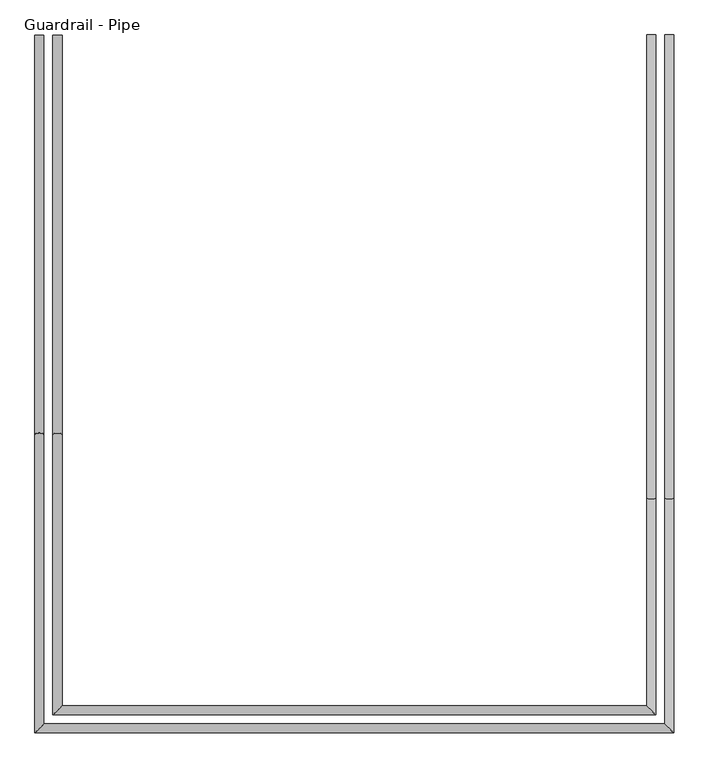
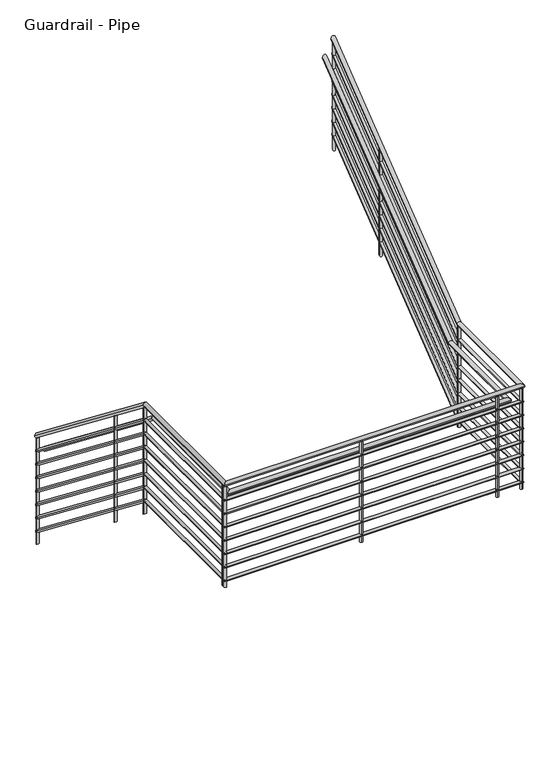
"""IFC4 building model written with IfcOpenShell, lengths in millimetres: railing geometry, Guardrail - Pipe."""

from ifc_helpers import new_model, si_unit, point, frame, frame_2d, origin, place, context, project, spatial, circle_curve, ellipse_curve, trimmed, segment, composite_curve, outline, extrude, source, transform, mapped, element, save
from ifc_brep_helpers import plane_surface, cylinder_surface, advanced_brep


def guardrail_pipe_3a40b477(model_context):
    return source(origin(), model_context, "Body", "SolidModel", [
        advanced_brep(
        [(1369.318901, 247.1226057, 1260.3636861), (1331.218901, 247.1226057, 1260.3636861), (1369.318901, -1435.8231638, 2571.75), (1331.218901, -1435.8231638, 2571.75), (1369.318901, -2654.8273943, 2571.75), (1331.218901, -2692.9273943, 2571.75), (3986.0081332, -2654.8273943, 2571.75), (4024.1081332, -2692.9273943, 2571.75), (3986.0081332, -1702.1316247, 2571.75), (4024.1081332, -1702.1316247, 2571.75), (3986.0081332, 247.1226057, 4090.6494004), (4024.1081332, 247.1226057, 4090.6494004)],
        [
            (0, 1, ellipse_curve(frame((1350.268901, 247.1226057, 1260.3636861), z_axis=(0.0, 1.0, 0.0), x_axis=(0.0, 0.0, -1.0)), 24.1505996, 19.05)),
            (1, 0, ellipse_curve(frame((1350.268901, 247.1226057, 1260.3636861), z_axis=(0.0, 1.0, 0.0), x_axis=(0.0, 0.0, -1.0)), 24.1505996, 19.05)),
            (0, 2),
            (2, 3, ellipse_curve(frame((1350.268901, -1435.8231638, 2571.75), z_axis=(0.0, 0.9457273101107315, -0.3249613129446646), x_axis=(0.0, -0.32496131294466507, -0.9457273101107314)), 20.1432271, 19.05)),
            (3, 1),
            (3, 2, ellipse_curve(frame((1350.268901, -1435.8231638, 2571.75), z_axis=(0.0, 0.9457273101107315, -0.3249613129446646), x_axis=(0.0, -0.32496131294466507, -0.9457273101107314)), 20.1432271, 19.05)),
            (2, 4),
            (4, 5, ellipse_curve(frame((1350.268901, -2673.8773943, 2571.75), z_axis=(-0.7071067811865469, 0.7071067811865481, 0.0), x_axis=(0.7071067811865481, 0.7071067811865469, 0.0)), 26.9407684, 19.05)),
            (5, 3),
            (5, 4, ellipse_curve(frame((1350.268901, -2673.8773943, 2571.75), z_axis=(-0.7071067811865469, 0.7071067811865481, 0.0), x_axis=(0.7071067811865481, 0.7071067811865469, 0.0)), 26.9407684, 19.05)),
            (4, 6),
            (6, 7, ellipse_curve(frame((4005.0581332, -2673.8773943, 2571.75), z_axis=(-0.7071067811865475, -0.7071067811865475, 0.0), x_axis=(-0.7071067811865476, 0.7071067811865474, 0.0)), 26.9407684, 19.05)),
            (7, 5),
            (7, 6, ellipse_curve(frame((4005.0581332, -2673.8773943, 2571.75), z_axis=(-0.7071067811865475, -0.7071067811865475, 0.0), x_axis=(-0.7071067811865476, 0.7071067811865474, 0.0)), 26.9407684, 19.05)),
            (6, 8),
            (8, 9, ellipse_curve(frame((4005.0581332, -1702.1316247, 2571.75), z_axis=(0.0, -0.9457273101107316, -0.3249613129446643), x_axis=(0.0, -0.32496131294466424, 0.9457273101107315)), 20.1432271, 19.05)),
            (9, 7),
            (9, 8, ellipse_curve(frame((4005.0581332, -1702.1316247, 2571.75), z_axis=(0.0, -0.9457273101107316, -0.3249613129446643), x_axis=(0.0, -0.32496131294466424, 0.9457273101107315)), 20.1432271, 19.05)),
            (10, 11, ellipse_curve(frame((4005.0581332, 247.1226057, 4090.6494004), z_axis=(0.0, 1.0, 0.0), x_axis=(0.0, 0.0, -1.0)), 24.1505996, 19.05)),
            (11, 10, ellipse_curve(frame((4005.0581332, 247.1226057, 4090.6494004), z_axis=(0.0, 1.0, 0.0), x_axis=(0.0, 0.0, -1.0)), 24.1505996, 19.05)),
            (8, 10),
            (11, 9),
        ],
        [
            plane_surface(frame((1350.268901, 247.1226057, 1284.5142857), z_axis=(0.0, 1.0, 0.0), x_axis=(0.0, 0.0, -1.0))),
            cylinder_surface(frame((1350.268901, 235.4135313, 1269.4876402), z_axis=(0.0, 0.7888002901785597, -0.6146495767624185), x_axis=(-1.0, 0.0, 0.0)), 19.05),
            cylinder_surface(frame((1350.268901, -1429.2773943, 2571.75), z_axis=(0.0, 1.0, 0.0), x_axis=(-1.0, 0.0, 0.0)), 19.05),
            cylinder_surface(frame((1350.268901, -2673.8773943, 2571.75), z_axis=(-1.0, 0.0, 0.0), x_axis=(0.0, -1.0, 0.0)), 19.05),
            cylinder_surface(frame((4005.0581332, -2673.8773943, 2571.75), z_axis=(0.0, -1.0, 0.0), x_axis=(1.0, 0.0, 0.0)), 19.05),
            plane_surface(frame((4005.0581332, 247.1226057, 4114.8), z_axis=(0.0, 1.0, 0.0), x_axis=(0.0, 0.0, 1.0))),
            cylinder_surface(frame((4005.0581332, -1696.9683198, 2575.7733545), z_axis=(0.0, -0.7888002901785599, -0.614649576762418), x_axis=(1.0, 0.0, 0.0)), 19.05),
        ],
        [
            (0, [[1, 2]]),
            (1, [[-1, 3, 4, 5]]),
            (1, [[-2, -5, 6, -3]]),
            (2, [[-4, 7, 8, 9]]),
            (2, [[-6, -9, 10, -7]]),
            (3, [[-8, 11, 12, 13]]),
            (3, [[-10, -13, 14, -11]]),
            (4, [[-12, 15, 16, 17]]),
            (4, [[-14, -17, 18, -15]]),
            (5, [[19, 20]]),
            (6, [[-16, 21, -20, 22]]),
            (6, [[-18, -22, -19, -21]]),
        ],
    ),
        advanced_brep(
        [(1362.968901, 247.1226057, 1116.013886), (1337.568901, 247.1226057, 1116.013886), (1362.968901, -1433.6412406, 2425.7), (1337.568901, -1433.6412406, 2425.7), (1362.968901, -2661.1773943, 2425.7), (1337.568901, -2686.5773943, 2425.7), (3992.3581332, -2661.1773943, 2425.7), (4017.7581332, -2686.5773943, 2425.7), (3992.3581332, -1704.3135479, 2425.7), (4017.7581332, -1704.3135479, 2425.7), (3992.3581332, 247.1226057, 3946.2996002), (4017.7581332, 247.1226057, 3946.2996002)],
        [
            (0, 1, ellipse_curve(frame((1350.268901, 247.1226057, 1116.013886), z_axis=(0.0, 1.0, 0.0), x_axis=(0.0, 0.0, -1.0)), 16.1003998, 12.7)),
            (1, 0, ellipse_curve(frame((1350.268901, 247.1226057, 1116.013886), z_axis=(0.0, 1.0, 0.0), x_axis=(0.0, 0.0, -1.0)), 16.1003998, 12.7)),
            (0, 2),
            (2, 3, ellipse_curve(frame((1350.268901, -1433.6412406, 2425.7), z_axis=(0.0, 0.9457273101107315, -0.32496131294466435), x_axis=(0.0, -0.324961312944664, -0.9457273101107317)), 13.4288181, 12.7)),
            (3, 1),
            (3, 2, ellipse_curve(frame((1350.268901, -1433.6412406, 2425.7), z_axis=(0.0, 0.9457273101107315, -0.32496131294466435), x_axis=(0.0, -0.324961312944664, -0.9457273101107317)), 13.4288181, 12.7)),
            (2, 4),
            (4, 5, ellipse_curve(frame((1350.268901, -2673.8773943, 2425.7), z_axis=(-0.7071067811865469, 0.7071067811865481, 0.0), x_axis=(0.7071067811865481, 0.7071067811865469, 0.0)), 17.9605122, 12.7)),
            (5, 3),
            (5, 4, ellipse_curve(frame((1350.268901, -2673.8773943, 2425.7), z_axis=(-0.7071067811865469, 0.7071067811865481, 0.0), x_axis=(0.7071067811865481, 0.7071067811865469, 0.0)), 17.9605122, 12.7)),
            (4, 6),
            (6, 7, ellipse_curve(frame((4005.0581332, -2673.8773943, 2425.7), z_axis=(-0.7071067811865475, -0.7071067811865475, 0.0), x_axis=(-0.7071067811865476, 0.7071067811865474, 0.0)), 17.9605122, 12.7)),
            (7, 5),
            (7, 6, ellipse_curve(frame((4005.0581332, -2673.8773943, 2425.7), z_axis=(-0.7071067811865475, -0.7071067811865475, 0.0), x_axis=(-0.7071067811865476, 0.7071067811865474, 0.0)), 17.9605122, 12.7)),
            (6, 8),
            (8, 9, ellipse_curve(frame((4005.0581332, -1704.3135479, 2425.7), z_axis=(0.0, -0.9457273101107316, -0.32496131294466424), x_axis=(0.0, -0.3249613129446642, 0.9457273101107316)), 13.4288181, 12.7)),
            (9, 7),
            (9, 8, ellipse_curve(frame((4005.0581332, -1704.3135479, 2425.7), z_axis=(0.0, -0.9457273101107316, -0.32496131294466424), x_axis=(0.0, -0.3249613129446642, 0.9457273101107316)), 13.4288181, 12.7)),
            (10, 11, ellipse_curve(frame((4005.0581332, 247.1226057, 3946.2996002), z_axis=(0.0, 1.0, 0.0), x_axis=(0.0, 0.0, -1.0)), 16.1003998, 12.7)),
            (11, 10, ellipse_curve(frame((4005.0581332, 247.1226057, 3946.2996002), z_axis=(0.0, 1.0, 0.0), x_axis=(0.0, 0.0, -1.0)), 16.1003998, 12.7)),
            (8, 10),
            (11, 9),
        ],
        [
            plane_surface(frame((1350.268901, 247.1226057, 1132.1142857), z_axis=(0.0, 1.0, 0.0), x_axis=(0.0, 0.0, -1.0))),
            cylinder_surface(frame((1350.268901, 239.3165561, 1122.096522), z_axis=(0.0, 0.7888002901785598, -0.6146495767624183), x_axis=(-1.0, 0.0, 0.0)), 12.7),
            cylinder_surface(frame((1350.268901, -1429.2773943, 2425.7), z_axis=(0.0, 1.0, 0.0), x_axis=(-1.0, 0.0, 0.0)), 12.7),
            cylinder_surface(frame((1350.268901, -2673.8773943, 2425.7), z_axis=(-1.0, 0.0, 0.0), x_axis=(0.0, -1.0, 0.0)), 12.7),
            cylinder_surface(frame((4005.0581332, -2673.8773943, 2425.7), z_axis=(0.0, -1.0, 0.0), x_axis=(1.0, 0.0, 0.0)), 12.7),
            plane_surface(frame((4005.0581332, 247.1226057, 3962.4), z_axis=(0.0, 1.0, 0.0), x_axis=(0.0, 0.0, 1.0))),
            cylinder_surface(frame((4005.0581332, -1700.8713446, 2428.3822363), z_axis=(0.0, -0.7888002901785599, -0.614649576762418), x_axis=(1.0, 0.0, 0.0)), 12.7),
        ],
        [
            (0, [[1, 2]]),
            (1, [[-1, 3, 4, 5]]),
            (1, [[-2, -5, 6, -3]]),
            (2, [[-4, 7, 8, 9]]),
            (2, [[-6, -9, 10, -7]]),
            (3, [[-8, 11, 12, 13]]),
            (3, [[-10, -13, 14, -11]]),
            (4, [[-12, 15, 16, 17]]),
            (4, [[-14, -17, 18, -15]]),
            (5, [[19, 20]]),
            (6, [[-16, 21, -20, 22]]),
            (6, [[-18, -22, -19, -21]]),
        ],
    ),
        advanced_brep(
        [(1445.518901, 247.1226057, 1107.9636861), (1407.418901, 247.1226057, 1107.9636861), (1445.518901, -1435.8231638, 2419.35), (1407.418901, -1435.8231638, 2419.35), (1445.518901, -2578.6273943, 2419.35), (1407.418901, -2616.7273943, 2419.35), (3909.8081332, -2578.6273943, 2419.35), (3947.9081332, -2616.7273943, 2419.35), (3909.8081332, -1702.1316247, 2419.35), (3947.9081332, -1702.1316247, 2419.35), (3909.8081332, 247.1226057, 3938.2494004), (3947.9081332, 247.1226057, 3938.2494004)],
        [
            (0, 1, ellipse_curve(frame((1426.468901, 247.1226057, 1107.9636861), z_axis=(0.0, 1.0, 0.0), x_axis=(0.0, 0.0, -1.0)), 24.1505996, 19.05)),
            (1, 0, ellipse_curve(frame((1426.468901, 247.1226057, 1107.9636861), z_axis=(0.0, 1.0, 0.0), x_axis=(0.0, 0.0, -1.0)), 24.1505996, 19.05)),
            (0, 2),
            (2, 3, ellipse_curve(frame((1426.468901, -1435.8231638, 2419.35), z_axis=(0.0, 0.9457273101107315, -0.32496131294466435), x_axis=(0.0, -0.324961312944664, -0.9457273101107317)), 20.1432271, 19.05)),
            (3, 1),
            (3, 2, ellipse_curve(frame((1426.468901, -1435.8231638, 2419.35), z_axis=(0.0, 0.9457273101107315, -0.32496131294466435), x_axis=(0.0, -0.324961312944664, -0.9457273101107317)), 20.1432271, 19.05)),
            (2, 4),
            (4, 5, ellipse_curve(frame((1426.468901, -2597.6773943, 2419.35), z_axis=(-0.7071067811865469, 0.7071067811865481, 0.0), x_axis=(0.7071067811865481, 0.7071067811865469, 0.0)), 26.9407684, 19.05)),
            (5, 3),
            (5, 4, ellipse_curve(frame((1426.468901, -2597.6773943, 2419.35), z_axis=(-0.7071067811865469, 0.7071067811865481, 0.0), x_axis=(0.7071067811865481, 0.7071067811865469, 0.0)), 26.9407684, 19.05)),
            (4, 6),
            (6, 7, ellipse_curve(frame((3928.8581332, -2597.6773943, 2419.35), z_axis=(-0.7071067811865475, -0.7071067811865475, 0.0), x_axis=(-0.7071067811865476, 0.7071067811865474, 0.0)), 26.9407684, 19.05)),
            (7, 5),
            (7, 6, ellipse_curve(frame((3928.8581332, -2597.6773943, 2419.35), z_axis=(-0.7071067811865475, -0.7071067811865475, 0.0), x_axis=(-0.7071067811865476, 0.7071067811865474, 0.0)), 26.9407684, 19.05)),
            (6, 8),
            (8, 9, ellipse_curve(frame((3928.8581332, -1702.1316247, 2419.35), z_axis=(0.0, -0.9457273101107316, -0.32496131294466424), x_axis=(0.0, -0.3249613129446642, 0.9457273101107316)), 20.1432271, 19.05)),
            (9, 7),
            (9, 8, ellipse_curve(frame((3928.8581332, -1702.1316247, 2419.35), z_axis=(0.0, -0.9457273101107316, -0.32496131294466424), x_axis=(0.0, -0.3249613129446642, 0.9457273101107316)), 20.1432271, 19.05)),
            (10, 11, ellipse_curve(frame((3928.8581332, 247.1226057, 3938.2494004), z_axis=(0.0, 1.0, 0.0), x_axis=(0.0, 0.0, -1.0)), 24.1505996, 19.05)),
            (11, 10, ellipse_curve(frame((3928.8581332, 247.1226057, 3938.2494004), z_axis=(0.0, 1.0, 0.0), x_axis=(0.0, 0.0, -1.0)), 24.1505996, 19.05)),
            (8, 10),
            (11, 9),
        ],
        [
            plane_surface(frame((1426.468901, 247.1226057, 1132.1142857), z_axis=(0.0, 1.0, 0.0), x_axis=(0.0, 0.0, -1.0))),
            cylinder_surface(frame((1426.468901, 235.4135313, 1117.0876402), z_axis=(0.0, 0.7888002901785598, -0.6146495767624183), x_axis=(-1.0, 0.0, 0.0)), 19.05),
            cylinder_surface(frame((1426.468901, -1429.2773943, 2419.35), z_axis=(0.0, 1.0, 0.0), x_axis=(-1.0, 0.0, 0.0)), 19.05),
            cylinder_surface(frame((1426.468901, -2597.6773943, 2419.35), z_axis=(-1.0, 0.0, 0.0), x_axis=(0.0, -1.0, 0.0)), 19.05),
            cylinder_surface(frame((3928.8581332, -2597.6773943, 2419.35), z_axis=(0.0, -1.0, 0.0), x_axis=(1.0, 0.0, 0.0)), 19.05),
            plane_surface(frame((3928.8581332, 247.1226057, 3962.4), z_axis=(0.0, 1.0, 0.0), x_axis=(0.0, 0.0, 1.0))),
            cylinder_surface(frame((3928.8581332, -1696.9683198, 2423.3733545), z_axis=(0.0, -0.7888002901785599, -0.614649576762418), x_axis=(1.0, 0.0, 0.0)), 19.05),
        ],
        [
            (0, [[1, 2]]),
            (1, [[-1, 3, 4, 5]]),
            (1, [[-2, -5, 6, -3]]),
            (2, [[-4, 7, 8, 9]]),
            (2, [[-6, -9, 10, -7]]),
            (3, [[-8, 11, 12, 13]]),
            (3, [[-10, -13, 14, -11]]),
            (4, [[-12, 15, 16, 17]]),
            (4, [[-14, -17, 18, -15]]),
            (5, [[19, 20]]),
            (6, [[-16, 21, -20, 22]]),
            (6, [[-18, -22, -19, -21]]),
        ],
    ),
        advanced_brep(
        [(1362.968901, 247.1226057, 989.013886), (1337.568901, 247.1226057, 989.013886), (1362.968901, -1433.6412406, 2298.7), (1337.568901, -1433.6412406, 2298.7), (1362.968901, -2661.1773943, 2298.7), (1337.568901, -2686.5773943, 2298.7), (3992.3581332, -2661.1773943, 2298.7), (4017.7581332, -2686.5773943, 2298.7), (3992.3581332, -1704.3135479, 2298.7), (4017.7581332, -1704.3135479, 2298.7), (3992.3581332, 247.1226057, 3819.2996002), (4017.7581332, 247.1226057, 3819.2996002)],
        [
            (0, 1, ellipse_curve(frame((1350.268901, 247.1226057, 989.013886), z_axis=(0.0, 1.0, 0.0), x_axis=(0.0, 0.0, -1.0)), 16.1003998, 12.7)),
            (1, 0, ellipse_curve(frame((1350.268901, 247.1226057, 989.013886), z_axis=(0.0, 1.0, 0.0), x_axis=(0.0, 0.0, -1.0)), 16.1003998, 12.7)),
            (0, 2),
            (2, 3, ellipse_curve(frame((1350.268901, -1433.6412406, 2298.7), z_axis=(0.0, 0.9457273101107315, -0.32496131294466435), x_axis=(0.0, -0.324961312944664, -0.9457273101107317)), 13.4288181, 12.7)),
            (3, 1),
            (3, 2, ellipse_curve(frame((1350.268901, -1433.6412406, 2298.7), z_axis=(0.0, 0.9457273101107315, -0.32496131294466435), x_axis=(0.0, -0.324961312944664, -0.9457273101107317)), 13.4288181, 12.7)),
            (2, 4),
            (4, 5, ellipse_curve(frame((1350.268901, -2673.8773943, 2298.7), z_axis=(-0.7071067811865469, 0.7071067811865481, 0.0), x_axis=(0.7071067811865481, 0.7071067811865469, 0.0)), 17.9605122, 12.7)),
            (5, 3),
            (5, 4, ellipse_curve(frame((1350.268901, -2673.8773943, 2298.7), z_axis=(-0.7071067811865469, 0.7071067811865481, 0.0), x_axis=(0.7071067811865481, 0.7071067811865469, 0.0)), 17.9605122, 12.7)),
            (4, 6),
            (6, 7, ellipse_curve(frame((4005.0581332, -2673.8773943, 2298.7), z_axis=(-0.7071067811865475, -0.7071067811865475, 0.0), x_axis=(-0.7071067811865476, 0.7071067811865474, 0.0)), 17.9605122, 12.7)),
            (7, 5),
            (7, 6, ellipse_curve(frame((4005.0581332, -2673.8773943, 2298.7), z_axis=(-0.7071067811865475, -0.7071067811865475, 0.0), x_axis=(-0.7071067811865476, 0.7071067811865474, 0.0)), 17.9605122, 12.7)),
            (6, 8),
            (8, 9, ellipse_curve(frame((4005.0581332, -1704.3135479, 2298.7), z_axis=(0.0, -0.9457273101107316, -0.32496131294466424), x_axis=(0.0, -0.3249613129446642, 0.9457273101107316)), 13.4288181, 12.7)),
            (9, 7),
            (9, 8, ellipse_curve(frame((4005.0581332, -1704.3135479, 2298.7), z_axis=(0.0, -0.9457273101107316, -0.32496131294466424), x_axis=(0.0, -0.3249613129446642, 0.9457273101107316)), 13.4288181, 12.7)),
            (10, 11, ellipse_curve(frame((4005.0581332, 247.1226057, 3819.2996002), z_axis=(0.0, 1.0, 0.0), x_axis=(0.0, 0.0, -1.0)), 16.1003998, 12.7)),
            (11, 10, ellipse_curve(frame((4005.0581332, 247.1226057, 3819.2996002), z_axis=(0.0, 1.0, 0.0), x_axis=(0.0, 0.0, -1.0)), 16.1003998, 12.7)),
            (8, 10),
            (11, 9),
        ],
        [
            plane_surface(frame((1350.268901, 247.1226057, 1005.1142857), z_axis=(0.0, 1.0, 0.0), x_axis=(0.0, 0.0, -1.0))),
            cylinder_surface(frame((1350.268901, 239.3165561, 995.096522), z_axis=(0.0, 0.7888002901785598, -0.6146495767624183), x_axis=(-1.0, 0.0, 0.0)), 12.7),
            cylinder_surface(frame((1350.268901, -1429.2773943, 2298.7), z_axis=(0.0, 1.0, 0.0), x_axis=(-1.0, 0.0, 0.0)), 12.7),
            cylinder_surface(frame((1350.268901, -2673.8773943, 2298.7), z_axis=(-1.0, 0.0, 0.0), x_axis=(0.0, -1.0, 0.0)), 12.7),
            cylinder_surface(frame((4005.0581332, -2673.8773943, 2298.7), z_axis=(0.0, -1.0, 0.0), x_axis=(1.0, 0.0, 0.0)), 12.7),
            plane_surface(frame((4005.0581332, 247.1226057, 3835.4), z_axis=(0.0, 1.0, 0.0), x_axis=(0.0, 0.0, 1.0))),
            cylinder_surface(frame((4005.0581332, -1700.8713446, 2301.3822363), z_axis=(0.0, -0.7888002901785599, -0.614649576762418), x_axis=(1.0, 0.0, 0.0)), 12.7),
        ],
        [
            (0, [[1, 2]]),
            (1, [[-1, 3, 4, 5]]),
            (1, [[-2, -5, 6, -3]]),
            (2, [[-4, 7, 8, 9]]),
            (2, [[-6, -9, 10, -7]]),
            (3, [[-8, 11, 12, 13]]),
            (3, [[-10, -13, 14, -11]]),
            (4, [[-12, 15, 16, 17]]),
            (4, [[-14, -17, 18, -15]]),
            (5, [[19, 20]]),
            (6, [[-16, 21, -20, 22]]),
            (6, [[-18, -22, -19, -21]]),
        ],
    ),
        advanced_brep(
        [(1362.968901, 247.1226057, 862.013886), (1337.568901, 247.1226057, 862.013886), (1362.968901, -1433.6412406, 2171.7), (1337.568901, -1433.6412406, 2171.7), (1362.968901, -2661.1773943, 2171.7), (1337.568901, -2686.5773943, 2171.7), (3992.3581332, -2661.1773943, 2171.7), (4017.7581332, -2686.5773943, 2171.7), (3992.3581332, -1704.3135479, 2171.7), (4017.7581332, -1704.3135479, 2171.7), (3992.3581332, 247.1226057, 3692.2996002), (4017.7581332, 247.1226057, 3692.2996002)],
        [
            (0, 1, ellipse_curve(frame((1350.268901, 247.1226057, 862.013886), z_axis=(0.0, 1.0, 0.0), x_axis=(0.0, 0.0, -1.0)), 16.1003998, 12.7)),
            (1, 0, ellipse_curve(frame((1350.268901, 247.1226057, 862.013886), z_axis=(0.0, 1.0, 0.0), x_axis=(0.0, 0.0, -1.0)), 16.1003998, 12.7)),
            (0, 2),
            (2, 3, ellipse_curve(frame((1350.268901, -1433.6412406, 2171.7), z_axis=(0.0, 0.9457273101107315, -0.32496131294466457), x_axis=(0.0, -0.3249613129446647, -0.9457273101107314)), 13.4288181, 12.7)),
            (3, 1),
            (3, 2, ellipse_curve(frame((1350.268901, -1433.6412406, 2171.7), z_axis=(0.0, 0.9457273101107315, -0.32496131294466457), x_axis=(0.0, -0.3249613129446647, -0.9457273101107314)), 13.4288181, 12.7)),
            (2, 4),
            (4, 5, ellipse_curve(frame((1350.268901, -2673.8773943, 2171.7), z_axis=(-0.7071067811865469, 0.7071067811865481, 0.0), x_axis=(0.7071067811865481, 0.7071067811865469, 0.0)), 17.9605122, 12.7)),
            (5, 3),
            (5, 4, ellipse_curve(frame((1350.268901, -2673.8773943, 2171.7), z_axis=(-0.7071067811865469, 0.7071067811865481, 0.0), x_axis=(0.7071067811865481, 0.7071067811865469, 0.0)), 17.9605122, 12.7)),
            (4, 6),
            (6, 7, ellipse_curve(frame((4005.0581332, -2673.8773943, 2171.7), z_axis=(-0.7071067811865475, -0.7071067811865475, 0.0), x_axis=(-0.7071067811865476, 0.7071067811865474, 0.0)), 17.9605122, 12.7)),
            (7, 5),
            (7, 6, ellipse_curve(frame((4005.0581332, -2673.8773943, 2171.7), z_axis=(-0.7071067811865475, -0.7071067811865475, 0.0), x_axis=(-0.7071067811865476, 0.7071067811865474, 0.0)), 17.9605122, 12.7)),
            (6, 8),
            (8, 9, ellipse_curve(frame((4005.0581332, -1704.3135479, 2171.7), z_axis=(0.0, -0.9457273101107316, -0.3249613129446643), x_axis=(0.0, -0.32496131294466424, 0.9457273101107315)), 13.4288181, 12.7)),
            (9, 7),
            (9, 8, ellipse_curve(frame((4005.0581332, -1704.3135479, 2171.7), z_axis=(0.0, -0.9457273101107316, -0.3249613129446643), x_axis=(0.0, -0.32496131294466424, 0.9457273101107315)), 13.4288181, 12.7)),
            (10, 11, ellipse_curve(frame((4005.0581332, 247.1226057, 3692.2996002), z_axis=(0.0, 1.0, 0.0), x_axis=(0.0, 0.0, -1.0)), 16.1003998, 12.7)),
            (11, 10, ellipse_curve(frame((4005.0581332, 247.1226057, 3692.2996002), z_axis=(0.0, 1.0, 0.0), x_axis=(0.0, 0.0, -1.0)), 16.1003998, 12.7)),
            (8, 10),
            (11, 9),
        ],
        [
            plane_surface(frame((1350.268901, 247.1226057, 878.1142857), z_axis=(0.0, 1.0, 0.0), x_axis=(0.0, 0.0, -1.0))),
            cylinder_surface(frame((1350.268901, 239.3165561, 868.096522), z_axis=(0.0, 0.7888002901785597, -0.6146495767624184), x_axis=(-1.0, 0.0, 0.0)), 12.7),
            cylinder_surface(frame((1350.268901, -1429.2773943, 2171.7), z_axis=(0.0, 1.0, 0.0), x_axis=(-1.0, 0.0, 0.0)), 12.7),
            cylinder_surface(frame((1350.268901, -2673.8773943, 2171.7), z_axis=(-1.0, 0.0, 0.0), x_axis=(0.0, -1.0, 0.0)), 12.7),
            cylinder_surface(frame((4005.0581332, -2673.8773943, 2171.7), z_axis=(0.0, -1.0, 0.0), x_axis=(1.0, 0.0, 0.0)), 12.7),
            plane_surface(frame((4005.0581332, 247.1226057, 3708.4), z_axis=(0.0, 1.0, 0.0), x_axis=(0.0, 0.0, 1.0))),
            cylinder_surface(frame((4005.0581332, -1700.8713446, 2174.3822363), z_axis=(0.0, -0.7888002901785599, -0.614649576762418), x_axis=(1.0, 0.0, 0.0)), 12.7),
        ],
        [
            (0, [[1, 2]]),
            (1, [[-1, 3, 4, 5]]),
            (1, [[-2, -5, 6, -3]]),
            (2, [[-4, 7, 8, 9]]),
            (2, [[-6, -9, 10, -7]]),
            (3, [[-8, 11, 12, 13]]),
            (3, [[-10, -13, 14, -11]]),
            (4, [[-12, 15, 16, 17]]),
            (4, [[-14, -17, 18, -15]]),
            (5, [[19, 20]]),
            (6, [[-16, 21, -20, 22]]),
            (6, [[-18, -22, -19, -21]]),
        ],
    ),
        advanced_brep(
        [(1362.968901, 247.1226057, 735.013886), (1337.568901, 247.1226057, 735.013886), (1362.968901, -1433.6412406, 2044.7), (1337.568901, -1433.6412406, 2044.7), (1362.968901, -2661.1773943, 2044.7), (1337.568901, -2686.5773943, 2044.7), (3992.3581332, -2661.1773943, 2044.7), (4017.7581332, -2686.5773943, 2044.7), (3992.3581332, -1704.3135479, 2044.7), (4017.7581332, -1704.3135479, 2044.7), (3992.3581332, 247.1226057, 3565.2996002), (4017.7581332, 247.1226057, 3565.2996002)],
        [
            (0, 1, ellipse_curve(frame((1350.268901, 247.1226057, 735.013886), z_axis=(0.0, 1.0, 0.0), x_axis=(0.0, 0.0, -1.0)), 16.1003998, 12.7)),
            (1, 0, ellipse_curve(frame((1350.268901, 247.1226057, 735.013886), z_axis=(0.0, 1.0, 0.0), x_axis=(0.0, 0.0, -1.0)), 16.1003998, 12.7)),
            (0, 2),
            (2, 3, ellipse_curve(frame((1350.268901, -1433.6412406, 2044.7), z_axis=(0.0, 0.9457273101107315, -0.32496131294466435), x_axis=(0.0, -0.324961312944664, -0.9457273101107317)), 13.4288181, 12.7)),
            (3, 1),
            (3, 2, ellipse_curve(frame((1350.268901, -1433.6412406, 2044.7), z_axis=(0.0, 0.9457273101107315, -0.32496131294466435), x_axis=(0.0, -0.324961312944664, -0.9457273101107317)), 13.4288181, 12.7)),
            (2, 4),
            (4, 5, ellipse_curve(frame((1350.268901, -2673.8773943, 2044.7), z_axis=(-0.7071067811865469, 0.7071067811865481, 0.0), x_axis=(0.7071067811865481, 0.7071067811865469, 0.0)), 17.9605122, 12.7)),
            (5, 3),
            (5, 4, ellipse_curve(frame((1350.268901, -2673.8773943, 2044.7), z_axis=(-0.7071067811865469, 0.7071067811865481, 0.0), x_axis=(0.7071067811865481, 0.7071067811865469, 0.0)), 17.9605122, 12.7)),
            (4, 6),
            (6, 7, ellipse_curve(frame((4005.0581332, -2673.8773943, 2044.7), z_axis=(-0.7071067811865475, -0.7071067811865475, 0.0), x_axis=(-0.7071067811865476, 0.7071067811865474, 0.0)), 17.9605122, 12.7)),
            (7, 5),
            (7, 6, ellipse_curve(frame((4005.0581332, -2673.8773943, 2044.7), z_axis=(-0.7071067811865475, -0.7071067811865475, 0.0), x_axis=(-0.7071067811865476, 0.7071067811865474, 0.0)), 17.9605122, 12.7)),
            (6, 8),
            (8, 9, ellipse_curve(frame((4005.0581332, -1704.3135479, 2044.7), z_axis=(0.0, -0.9457273101107316, -0.32496131294466424), x_axis=(0.0, -0.3249613129446642, 0.9457273101107316)), 13.4288181, 12.7)),
            (9, 7),
            (9, 8, ellipse_curve(frame((4005.0581332, -1704.3135479, 2044.7), z_axis=(0.0, -0.9457273101107316, -0.32496131294466424), x_axis=(0.0, -0.3249613129446642, 0.9457273101107316)), 13.4288181, 12.7)),
            (10, 11, ellipse_curve(frame((4005.0581332, 247.1226057, 3565.2996002), z_axis=(0.0, 1.0, 0.0), x_axis=(0.0, 0.0, -1.0)), 16.1003998, 12.7)),
            (11, 10, ellipse_curve(frame((4005.0581332, 247.1226057, 3565.2996002), z_axis=(0.0, 1.0, 0.0), x_axis=(0.0, 0.0, -1.0)), 16.1003998, 12.7)),
            (8, 10),
            (11, 9),
        ],
        [
            plane_surface(frame((1350.268901, 247.1226057, 751.1142857), z_axis=(0.0, 1.0, 0.0), x_axis=(0.0, 0.0, -1.0))),
            cylinder_surface(frame((1350.268901, 239.3165561, 741.096522), z_axis=(0.0, 0.7888002901785598, -0.6146495767624183), x_axis=(-1.0, 0.0, 0.0)), 12.7),
            cylinder_surface(frame((1350.268901, -1429.2773943, 2044.7), z_axis=(0.0, 1.0, 0.0), x_axis=(-1.0, 0.0, 0.0)), 12.7),
            cylinder_surface(frame((1350.268901, -2673.8773943, 2044.7), z_axis=(-1.0, 0.0, 0.0), x_axis=(0.0, -1.0, 0.0)), 12.7),
            cylinder_surface(frame((4005.0581332, -2673.8773943, 2044.7), z_axis=(0.0, -1.0, 0.0), x_axis=(1.0, 0.0, 0.0)), 12.7),
            plane_surface(frame((4005.0581332, 247.1226057, 3581.4), z_axis=(0.0, 1.0, 0.0), x_axis=(0.0, 0.0, 1.0))),
            cylinder_surface(frame((4005.0581332, -1700.8713446, 2047.3822363), z_axis=(0.0, -0.7888002901785599, -0.614649576762418), x_axis=(1.0, 0.0, 0.0)), 12.7),
        ],
        [
            (0, [[1, 2]]),
            (1, [[-1, 3, 4, 5]]),
            (1, [[-2, -5, 6, -3]]),
            (2, [[-4, 7, 8, 9]]),
            (2, [[-6, -9, 10, -7]]),
            (3, [[-8, 11, 12, 13]]),
            (3, [[-10, -13, 14, -11]]),
            (4, [[-12, 15, 16, 17]]),
            (4, [[-14, -17, 18, -15]]),
            (5, [[19, 20]]),
            (6, [[-16, 21, -20, 22]]),
            (6, [[-18, -22, -19, -21]]),
        ],
    ),
        advanced_brep(
        [(1362.968901, 247.1226057, 608.013886), (1337.568901, 247.1226057, 608.013886), (1362.968901, -1433.6412406, 1917.7), (1337.568901, -1433.6412406, 1917.7), (1362.968901, -2661.1773943, 1917.7), (1337.568901, -2686.5773943, 1917.7), (3992.3581332, -2661.1773943, 1917.7), (4017.7581332, -2686.5773943, 1917.7), (3992.3581332, -1704.3135479, 1917.7), (4017.7581332, -1704.3135479, 1917.7), (3992.3581332, 247.1226057, 3438.2996002), (4017.7581332, 247.1226057, 3438.2996002)],
        [
            (0, 1, ellipse_curve(frame((1350.268901, 247.1226057, 608.013886), z_axis=(0.0, 1.0, 0.0), x_axis=(0.0, 0.0, -1.0)), 16.1003998, 12.7)),
            (1, 0, ellipse_curve(frame((1350.268901, 247.1226057, 608.013886), z_axis=(0.0, 1.0, 0.0), x_axis=(0.0, 0.0, -1.0)), 16.1003998, 12.7)),
            (0, 2),
            (2, 3, ellipse_curve(frame((1350.268901, -1433.6412406, 1917.7), z_axis=(0.0, 0.9457273101107315, -0.32496131294466435), x_axis=(0.0, -0.324961312944664, -0.9457273101107317)), 13.4288181, 12.7)),
            (3, 1),
            (3, 2, ellipse_curve(frame((1350.268901, -1433.6412406, 1917.7), z_axis=(0.0, 0.9457273101107315, -0.32496131294466435), x_axis=(0.0, -0.324961312944664, -0.9457273101107317)), 13.4288181, 12.7)),
            (2, 4),
            (4, 5, ellipse_curve(frame((1350.268901, -2673.8773943, 1917.7), z_axis=(-0.7071067811865469, 0.7071067811865481, 0.0), x_axis=(0.7071067811865481, 0.7071067811865469, 0.0)), 17.9605122, 12.7)),
            (5, 3),
            (5, 4, ellipse_curve(frame((1350.268901, -2673.8773943, 1917.7), z_axis=(-0.7071067811865469, 0.7071067811865481, 0.0), x_axis=(0.7071067811865481, 0.7071067811865469, 0.0)), 17.9605122, 12.7)),
            (4, 6),
            (6, 7, ellipse_curve(frame((4005.0581332, -2673.8773943, 1917.7), z_axis=(-0.7071067811865475, -0.7071067811865475, 0.0), x_axis=(-0.7071067811865476, 0.7071067811865474, 0.0)), 17.9605122, 12.7)),
            (7, 5),
            (7, 6, ellipse_curve(frame((4005.0581332, -2673.8773943, 1917.7), z_axis=(-0.7071067811865475, -0.7071067811865475, 0.0), x_axis=(-0.7071067811865476, 0.7071067811865474, 0.0)), 17.9605122, 12.7)),
            (6, 8),
            (8, 9, ellipse_curve(frame((4005.0581332, -1704.3135479, 1917.7), z_axis=(0.0, -0.9457273101107316, -0.32496131294466424), x_axis=(0.0, -0.3249613129446642, 0.9457273101107316)), 13.4288181, 12.7)),
            (9, 7),
            (9, 8, ellipse_curve(frame((4005.0581332, -1704.3135479, 1917.7), z_axis=(0.0, -0.9457273101107316, -0.32496131294466424), x_axis=(0.0, -0.3249613129446642, 0.9457273101107316)), 13.4288181, 12.7)),
            (10, 11, ellipse_curve(frame((4005.0581332, 247.1226057, 3438.2996002), z_axis=(0.0, 1.0, 0.0), x_axis=(0.0, 0.0, -1.0)), 16.1003998, 12.7)),
            (11, 10, ellipse_curve(frame((4005.0581332, 247.1226057, 3438.2996002), z_axis=(0.0, 1.0, 0.0), x_axis=(0.0, 0.0, -1.0)), 16.1003998, 12.7)),
            (8, 10),
            (11, 9),
        ],
        [
            plane_surface(frame((1350.268901, 247.1226057, 624.1142857), z_axis=(0.0, 1.0, 0.0), x_axis=(0.0, 0.0, -1.0))),
            cylinder_surface(frame((1350.268901, 239.3165561, 614.096522), z_axis=(0.0, 0.7888002901785598, -0.6146495767624183), x_axis=(-1.0, 0.0, 0.0)), 12.7),
            cylinder_surface(frame((1350.268901, -1429.2773943, 1917.7), z_axis=(0.0, 1.0, 0.0), x_axis=(-1.0, 0.0, 0.0)), 12.7),
            cylinder_surface(frame((1350.268901, -2673.8773943, 1917.7), z_axis=(-1.0, 0.0, 0.0), x_axis=(0.0, -1.0, 0.0)), 12.7),
            cylinder_surface(frame((4005.0581332, -2673.8773943, 1917.7), z_axis=(0.0, -1.0, 0.0), x_axis=(1.0, 0.0, 0.0)), 12.7),
            plane_surface(frame((4005.0581332, 247.1226057, 3454.4), z_axis=(0.0, 1.0, 0.0), x_axis=(0.0, 0.0, 1.0))),
            cylinder_surface(frame((4005.0581332, -1700.8713446, 1920.3822363), z_axis=(0.0, -0.7888002901785599, -0.614649576762418), x_axis=(1.0, 0.0, 0.0)), 12.7),
        ],
        [
            (0, [[1, 2]]),
            (1, [[-1, 3, 4, 5]]),
            (1, [[-2, -5, 6, -3]]),
            (2, [[-4, 7, 8, 9]]),
            (2, [[-6, -9, 10, -7]]),
            (3, [[-8, 11, 12, 13]]),
            (3, [[-10, -13, 14, -11]]),
            (4, [[-12, 15, 16, 17]]),
            (4, [[-14, -17, 18, -15]]),
            (5, [[19, 20]]),
            (6, [[-16, 21, -20, 22]]),
            (6, [[-18, -22, -19, -21]]),
        ],
    ),
        advanced_brep(
        [(1362.968901, 247.1226057, 481.013886), (1337.568901, 247.1226057, 481.013886), (1362.968901, -1433.6412406, 1790.7), (1337.568901, -1433.6412406, 1790.7), (1362.968901, -2661.1773943, 1790.7), (1337.568901, -2686.5773943, 1790.7), (3992.3581332, -2661.1773943, 1790.7), (4017.7581332, -2686.5773943, 1790.7), (3992.3581332, -1704.3135479, 1790.7), (4017.7581332, -1704.3135479, 1790.7), (3992.3581332, 247.1226057, 3311.2996002), (4017.7581332, 247.1226057, 3311.2996002)],
        [
            (0, 1, ellipse_curve(frame((1350.268901, 247.1226057, 481.013886), z_axis=(0.0, 1.0, 0.0), x_axis=(0.0, 0.0, -1.0)), 16.1003998, 12.7)),
            (1, 0, ellipse_curve(frame((1350.268901, 247.1226057, 481.013886), z_axis=(0.0, 1.0, 0.0), x_axis=(0.0, 0.0, -1.0)), 16.1003998, 12.7)),
            (0, 2),
            (2, 3, ellipse_curve(frame((1350.268901, -1433.6412406, 1790.7), z_axis=(0.0, 0.9457273101107315, -0.32496131294466457), x_axis=(0.0, -0.3249613129446647, -0.9457273101107314)), 13.4288181, 12.7)),
            (3, 1),
            (3, 2, ellipse_curve(frame((1350.268901, -1433.6412406, 1790.7), z_axis=(0.0, 0.9457273101107315, -0.32496131294466457), x_axis=(0.0, -0.3249613129446647, -0.9457273101107314)), 13.4288181, 12.7)),
            (2, 4),
            (4, 5, ellipse_curve(frame((1350.268901, -2673.8773943, 1790.7), z_axis=(-0.7071067811865469, 0.7071067811865481, 0.0), x_axis=(0.7071067811865481, 0.7071067811865469, 0.0)), 17.9605122, 12.7)),
            (5, 3),
            (5, 4, ellipse_curve(frame((1350.268901, -2673.8773943, 1790.7), z_axis=(-0.7071067811865469, 0.7071067811865481, 0.0), x_axis=(0.7071067811865481, 0.7071067811865469, 0.0)), 17.9605122, 12.7)),
            (4, 6),
            (6, 7, ellipse_curve(frame((4005.0581332, -2673.8773943, 1790.7), z_axis=(-0.7071067811865475, -0.7071067811865475, 0.0), x_axis=(-0.7071067811865476, 0.7071067811865474, 0.0)), 17.9605122, 12.7)),
            (7, 5),
            (7, 6, ellipse_curve(frame((4005.0581332, -2673.8773943, 1790.7), z_axis=(-0.7071067811865475, -0.7071067811865475, 0.0), x_axis=(-0.7071067811865476, 0.7071067811865474, 0.0)), 17.9605122, 12.7)),
            (6, 8),
            (8, 9, ellipse_curve(frame((4005.0581332, -1704.3135479, 1790.7), z_axis=(0.0, -0.9457273101107316, -0.3249613129446643), x_axis=(0.0, -0.32496131294466424, 0.9457273101107315)), 13.4288181, 12.7)),
            (9, 7),
            (9, 8, ellipse_curve(frame((4005.0581332, -1704.3135479, 1790.7), z_axis=(0.0, -0.9457273101107316, -0.3249613129446643), x_axis=(0.0, -0.32496131294466424, 0.9457273101107315)), 13.4288181, 12.7)),
            (10, 11, ellipse_curve(frame((4005.0581332, 247.1226057, 3311.2996002), z_axis=(0.0, 1.0, 0.0), x_axis=(0.0, 0.0, -1.0)), 16.1003998, 12.7)),
            (11, 10, ellipse_curve(frame((4005.0581332, 247.1226057, 3311.2996002), z_axis=(0.0, 1.0, 0.0), x_axis=(0.0, 0.0, -1.0)), 16.1003998, 12.7)),
            (8, 10),
            (11, 9),
        ],
        [
            plane_surface(frame((1350.268901, 247.1226057, 497.1142857), z_axis=(0.0, 1.0, 0.0), x_axis=(0.0, 0.0, -1.0))),
            cylinder_surface(frame((1350.268901, 239.3165561, 487.096522), z_axis=(0.0, 0.7888002901785597, -0.6146495767624184), x_axis=(-1.0, 0.0, 0.0)), 12.7),
            cylinder_surface(frame((1350.268901, -1429.2773943, 1790.7), z_axis=(0.0, 1.0, 0.0), x_axis=(-1.0, 0.0, 0.0)), 12.7),
            cylinder_surface(frame((1350.268901, -2673.8773943, 1790.7), z_axis=(-1.0, 0.0, 0.0), x_axis=(0.0, -1.0, 0.0)), 12.7),
            cylinder_surface(frame((4005.0581332, -2673.8773943, 1790.7), z_axis=(0.0, -1.0, 0.0), x_axis=(1.0, 0.0, 0.0)), 12.7),
            plane_surface(frame((4005.0581332, 247.1226057, 3327.4), z_axis=(0.0, 1.0, 0.0), x_axis=(0.0, 0.0, 1.0))),
            cylinder_surface(frame((4005.0581332, -1700.8713446, 1793.3822363), z_axis=(0.0, -0.7888002901785599, -0.614649576762418), x_axis=(1.0, 0.0, 0.0)), 12.7),
        ],
        [
            (0, [[1, 2]]),
            (1, [[-1, 3, 4, 5]]),
            (1, [[-2, -5, 6, -3]]),
            (2, [[-4, 7, 8, 9]]),
            (2, [[-6, -9, 10, -7]]),
            (3, [[-8, 11, 12, 13]]),
            (3, [[-10, -13, 14, -11]]),
            (4, [[-12, 15, 16, 17]]),
            (4, [[-14, -17, 18, -15]]),
            (5, [[19, 20]]),
            (6, [[-16, 21, -20, 22]]),
            (6, [[-18, -22, -19, -21]]),
        ],
    ),
        advanced_brep(
        [(1362.968901, 247.1226057, 354.013886), (1337.568901, 247.1226057, 354.013886), (1362.968901, -1433.6412406, 1663.7), (1337.568901, -1433.6412406, 1663.7), (1362.968901, -2661.1773943, 1663.7), (1337.568901, -2686.5773943, 1663.7), (3992.3581332, -2661.1773943, 1663.7), (4017.7581332, -2686.5773943, 1663.7), (3992.3581332, -1704.3135479, 1663.7), (4017.7581332, -1704.3135479, 1663.7), (3992.3581332, 247.1226057, 3184.2996002), (4017.7581332, 247.1226057, 3184.2996002)],
        [
            (0, 1, ellipse_curve(frame((1350.268901, 247.1226057, 354.013886), z_axis=(0.0, 1.0, 0.0), x_axis=(0.0, 0.0, -1.0)), 16.1003998, 12.7)),
            (1, 0, ellipse_curve(frame((1350.268901, 247.1226057, 354.013886), z_axis=(0.0, 1.0, 0.0), x_axis=(0.0, 0.0, -1.0)), 16.1003998, 12.7)),
            (0, 2),
            (2, 3, ellipse_curve(frame((1350.268901, -1433.6412406, 1663.7), z_axis=(0.0, 0.9457273101107315, -0.32496131294466435), x_axis=(0.0, -0.324961312944664, -0.9457273101107317)), 13.4288181, 12.7)),
            (3, 1),
            (3, 2, ellipse_curve(frame((1350.268901, -1433.6412406, 1663.7), z_axis=(0.0, 0.9457273101107315, -0.32496131294466435), x_axis=(0.0, -0.324961312944664, -0.9457273101107317)), 13.4288181, 12.7)),
            (2, 4),
            (4, 5, ellipse_curve(frame((1350.268901, -2673.8773943, 1663.7), z_axis=(-0.7071067811865469, 0.7071067811865481, 0.0), x_axis=(0.7071067811865481, 0.7071067811865469, 0.0)), 17.9605122, 12.7)),
            (5, 3),
            (5, 4, ellipse_curve(frame((1350.268901, -2673.8773943, 1663.7), z_axis=(-0.7071067811865469, 0.7071067811865481, 0.0), x_axis=(0.7071067811865481, 0.7071067811865469, 0.0)), 17.9605122, 12.7)),
            (4, 6),
            (6, 7, ellipse_curve(frame((4005.0581332, -2673.8773943, 1663.7), z_axis=(-0.7071067811865475, -0.7071067811865475, 0.0), x_axis=(-0.7071067811865476, 0.7071067811865474, 0.0)), 17.9605122, 12.7)),
            (7, 5),
            (7, 6, ellipse_curve(frame((4005.0581332, -2673.8773943, 1663.7), z_axis=(-0.7071067811865475, -0.7071067811865475, 0.0), x_axis=(-0.7071067811865476, 0.7071067811865474, 0.0)), 17.9605122, 12.7)),
            (6, 8),
            (8, 9, ellipse_curve(frame((4005.0581332, -1704.3135479, 1663.7), z_axis=(0.0, -0.9457273101107316, -0.32496131294466424), x_axis=(0.0, -0.3249613129446642, 0.9457273101107316)), 13.4288181, 12.7)),
            (9, 7),
            (9, 8, ellipse_curve(frame((4005.0581332, -1704.3135479, 1663.7), z_axis=(0.0, -0.9457273101107316, -0.32496131294466424), x_axis=(0.0, -0.3249613129446642, 0.9457273101107316)), 13.4288181, 12.7)),
            (10, 11, ellipse_curve(frame((4005.0581332, 247.1226057, 3184.2996002), z_axis=(0.0, 1.0, 0.0), x_axis=(0.0, 0.0, -1.0)), 16.1003998, 12.7)),
            (11, 10, ellipse_curve(frame((4005.0581332, 247.1226057, 3184.2996002), z_axis=(0.0, 1.0, 0.0), x_axis=(0.0, 0.0, -1.0)), 16.1003998, 12.7)),
            (8, 10),
            (11, 9),
        ],
        [
            plane_surface(frame((1350.268901, 247.1226057, 370.1142857), z_axis=(0.0, 1.0, 0.0), x_axis=(0.0, 0.0, -1.0))),
            cylinder_surface(frame((1350.268901, 239.3165561, 360.096522), z_axis=(0.0, 0.7888002901785598, -0.6146495767624183), x_axis=(-1.0, 0.0, 0.0)), 12.7),
            cylinder_surface(frame((1350.268901, -1429.2773943, 1663.7), z_axis=(0.0, 1.0, 0.0), x_axis=(-1.0, 0.0, 0.0)), 12.7),
            cylinder_surface(frame((1350.268901, -2673.8773943, 1663.7), z_axis=(-1.0, 0.0, 0.0), x_axis=(0.0, -1.0, 0.0)), 12.7),
            cylinder_surface(frame((4005.0581332, -2673.8773943, 1663.7), z_axis=(0.0, -1.0, 0.0), x_axis=(1.0, 0.0, 0.0)), 12.7),
            plane_surface(frame((4005.0581332, 247.1226057, 3200.4), z_axis=(0.0, 1.0, 0.0), x_axis=(0.0, 0.0, 1.0))),
            cylinder_surface(frame((4005.0581332, -1700.8713446, 1666.3822363), z_axis=(0.0, -0.7888002901785599, -0.614649576762418), x_axis=(1.0, 0.0, 0.0)), 12.7),
        ],
        [
            (0, [[1, 2]]),
            (1, [[-1, 3, 4, 5]]),
            (1, [[-2, -5, 6, -3]]),
            (2, [[-4, 7, 8, 9]]),
            (2, [[-6, -9, 10, -7]]),
            (3, [[-8, 11, 12, 13]]),
            (3, [[-10, -13, 14, -11]]),
            (4, [[-12, 15, 16, 17]]),
            (4, [[-14, -17, 18, -15]]),
            (5, [[19, 20]]),
            (6, [[-16, 21, -20, 22]]),
            (6, [[-18, -22, -19, -21]]),
        ],
    ),
        advanced_brep(
        [(4017.7581332, -489.4773943, 3492.5247748), (4017.7581332, -489.4773943, 2486.6790239), (3992.3581332, -489.4773943, 2486.6790239), (3992.3581332, -489.4773943, 3492.5247748)],
        [
            (0, 1),
            (1, 2, ellipse_curve(frame((4005.0581332, -489.4773943, 2486.6790239), z_axis=(0.0, -0.6146495767624184, 0.7888002901785598), x_axis=(0.0, 0.78880029017856, 0.6146495767624182)), 16.1003998, 12.7)),
            (2, 3),
            (3, 0, ellipse_curve(frame((4005.0581332, -489.4773943, 3492.5247748), z_axis=(0.0, 0.6146495767624172, -0.7888002901785607), x_axis=(0.0, 0.7888002901785607, 0.614649576762417)), 16.1003998, 12.7)),
            (0, 3, ellipse_curve(frame((4005.0581332, -489.4773943, 3492.5247748), z_axis=(0.0, 0.6146495767624172, -0.7888002901785607), x_axis=(0.0, 0.7888002901785607, 0.614649576762417)), 16.1003998, 12.7)),
            (2, 1, ellipse_curve(frame((4005.0581332, -489.4773943, 2486.6790239), z_axis=(0.0, -0.6146495767624184, 0.7888002901785598), x_axis=(0.0, 0.78880029017856, 0.6146495767624182)), 16.1003998, 12.7)),
        ],
        [
            cylinder_surface(frame((4005.0581332, -489.4773943, 2258.0790239), z_axis=(0.0, 0.0, 1.0), x_axis=(-1.0, 0.0, 0.0)), 12.7),
            plane_surface(frame((3979.6581332, -464.0773943, 3512.3169825), z_axis=(0.0, -0.6146495767624172, 0.7888002901785607), x_axis=(1.0, 0.0, 0.0))),
            plane_surface(frame((3979.6581332, -514.8773943, 2466.8868162), z_axis=(0.0, 0.6146495767624184, -0.7888002901785598), x_axis=(1.0, 0.0, 0.0))),
        ],
        [
            (0, [[1, 2, 3, 4]]),
            (0, [[-1, 5, -3, 6]]),
            (1, [[-4, -5]]),
            (2, [[-2, -6]]),
        ],
    ),
        extrude(outline(composite_curve([segment(trimmed(circle_curve(frame_2d((3788.668901, -2673.8773943)), 12.7), [point((3788.668901, -2661.1773943))], [point((3788.668901, -2686.5773943))], False, "CARTESIAN"), True, "CONTINUOUS"), segment(trimmed(circle_curve(frame_2d((3788.668901, -2673.8773943)), 12.7), [point((3788.668901, -2686.5773943))], [point((3788.668901, -2661.1773943))], False, "CARTESIAN"), True, "CONTINUOUS")], self_intersect=False)), frame((0.0, 0.0, 1600.2), z_axis=(0.0, 0.0, 1.0), x_axis=(1.0, 0.0, 0.0)), (0.0, 0.0, 1.0), 952.5),
        extrude(outline(composite_curve([segment(trimmed(circle_curve(frame_2d((2569.468901, -2673.8773943)), 12.7), [point((2569.468901, -2661.1773943))], [point((2569.468901, -2686.5773943))], False, "CARTESIAN"), True, "CONTINUOUS"), segment(trimmed(circle_curve(frame_2d((2569.468901, -2673.8773943)), 12.7), [point((2569.468901, -2686.5773943))], [point((2569.468901, -2661.1773943))], False, "CARTESIAN"), True, "CONTINUOUS")], self_intersect=False)), frame((0.0, 0.0, 1600.2), z_axis=(0.0, 0.0, 1.0), x_axis=(1.0, 0.0, 0.0)), (0.0, 0.0, 1.0), 952.5),
        extrude(outline(composite_curve([segment(trimmed(circle_curve(frame_2d((1350.268901, -2648.4773943)), 12.7), [point((1362.968901, -2648.4773943))], [point((1337.568901, -2648.4773943))], False, "CARTESIAN"), True, "CONTINUOUS"), segment(trimmed(circle_curve(frame_2d((1350.268901, -2648.4773943)), 12.7), [point((1337.568901, -2648.4773943))], [point((1362.968901, -2648.4773943))], False, "CARTESIAN"), True, "CONTINUOUS")], self_intersect=False)), frame((0.0, 0.0, 1600.2), z_axis=(0.0, 0.0, 1.0), x_axis=(1.0, 0.0, 0.0)), (0.0, 0.0, 1.0), 952.5),
        advanced_brep(
        [(1337.568901, -972.0773943, 2186.2390605), (1337.568901, -972.0773943, 1180.3933097), (1362.968901, -972.0773943, 1180.3933097), (1362.968901, -972.0773943, 2186.2390605)],
        [
            (0, 1),
            (1, 2, ellipse_curve(frame((1350.268901, -972.0773943, 1180.3933097), z_axis=(0.0, 0.6146495767624184, 0.7888002901785598), x_axis=(0.0, -0.78880029017856, 0.6146495767624182)), 16.1003998, 12.7)),
            (2, 3),
            (3, 0, ellipse_curve(frame((1350.268901, -972.0773943, 2186.2390605), z_axis=(0.0, -0.6146495767624172, -0.7888002901785607), x_axis=(0.0, -0.7888002901785607, 0.614649576762417)), 16.1003998, 12.7)),
            (0, 3, ellipse_curve(frame((1350.268901, -972.0773943, 2186.2390605), z_axis=(0.0, -0.6146495767624172, -0.7888002901785607), x_axis=(0.0, -0.7888002901785607, 0.614649576762417)), 16.1003998, 12.7)),
            (2, 1, ellipse_curve(frame((1350.268901, -972.0773943, 1180.3933097), z_axis=(0.0, 0.6146495767624184, 0.7888002901785598), x_axis=(0.0, -0.78880029017856, 0.6146495767624182)), 16.1003998, 12.7)),
        ],
        [
            cylinder_surface(frame((1350.268901, -972.0773943, 951.7933097), z_axis=(0.0, 0.0, 1.0), x_axis=(1.0, 0.0, 0.0)), 12.7),
            plane_surface(frame((1375.668901, -997.4773943, 2206.0312683), z_axis=(0.0, 0.6146495767624172, 0.7888002901785607), x_axis=(-1.0, 0.0, 0.0))),
            plane_surface(frame((1375.668901, -946.6773943, 1160.6011019), z_axis=(0.0, -0.6146495767624184, -0.7888002901785598), x_axis=(-1.0, 0.0, 0.0))),
        ],
        [
            (0, [[1, 2, 3, 4]]),
            (0, [[-1, 5, -3, 6]]),
            (1, [[-4, -5]]),
            (2, [[-2, -6]]),
        ],
    ),
        extrude(outline(composite_curve([segment(trimmed(circle_curve(frame_2d((4005.0581332, -1708.6773943)), 12.7), [point((3992.3581332, -1708.6773943))], [point((4017.7581332, -1708.6773943))], False, "CARTESIAN"), True, "CONTINUOUS"), segment(trimmed(circle_curve(frame_2d((4005.0581332, -1708.6773943)), 12.7), [point((4017.7581332, -1708.6773943))], [point((3992.3581332, -1708.6773943))], False, "CARTESIAN"), True, "CONTINUOUS")], self_intersect=False)), frame((0.0, 0.0, 1600.2), z_axis=(0.0, 0.0, 1.0), x_axis=(1.0, 0.0, 0.0)), (0.0, 0.0, 1.0), 952.5),
        extrude(outline(composite_curve([segment(trimmed(circle_curve(frame_2d((4005.0581332, -2673.8773943)), 12.7), [point((4005.0581332, -2661.1773943))], [point((4005.0581332, -2686.5773943))], False, "CARTESIAN"), True, "CONTINUOUS"), segment(trimmed(circle_curve(frame_2d((4005.0581332, -2673.8773943)), 12.7), [point((4005.0581332, -2686.5773943))], [point((4005.0581332, -2661.1773943))], False, "CARTESIAN"), True, "CONTINUOUS")], self_intersect=False)), frame((0.0, 0.0, 1600.2), z_axis=(0.0, 0.0, 1.0), x_axis=(1.0, 0.0, 0.0)), (0.0, 0.0, 1.0), 952.5),
        extrude(outline(composite_curve([segment(trimmed(circle_curve(frame_2d((1350.268901, -2673.8773943)), 12.7), [point((1362.968901, -2673.8773943))], [point((1337.568901, -2673.8773943))], False, "CARTESIAN"), True, "CONTINUOUS"), segment(trimmed(circle_curve(frame_2d((1350.268901, -2673.8773943)), 12.7), [point((1337.568901, -2673.8773943))], [point((1362.968901, -2673.8773943))], False, "CARTESIAN"), True, "CONTINUOUS")], self_intersect=False)), frame((0.0, 0.0, 1600.2), z_axis=(0.0, 0.0, 1.0), x_axis=(1.0, 0.0, 0.0)), (0.0, 0.0, 1.0), 952.5),
        advanced_brep(
        [(1337.568901, -1429.2773943, 2542.4988007), (1337.568901, -1429.2773943, 1536.6530499), (1362.968901, -1429.2773943, 1536.6530499), (1362.968901, -1429.2773943, 2542.4988007)],
        [
            (0, 1),
            (1, 2, ellipse_curve(frame((1350.268901, -1429.2773943, 1536.6530499), z_axis=(0.0, 0.6146495767624184, 0.7888002901785598), x_axis=(0.0, -0.78880029017856, 0.6146495767624182)), 16.1003998, 12.7)),
            (2, 3),
            (3, 0, ellipse_curve(frame((1350.268901, -1429.2773943, 2542.4988007), z_axis=(0.0, -0.6146495767624172, -0.7888002901785607), x_axis=(0.0, -0.7888002901785607, 0.614649576762417)), 16.1003998, 12.7)),
            (0, 3, ellipse_curve(frame((1350.268901, -1429.2773943, 2542.4988007), z_axis=(0.0, -0.6146495767624172, -0.7888002901785607), x_axis=(0.0, -0.7888002901785607, 0.614649576762417)), 16.1003998, 12.7)),
            (2, 1, ellipse_curve(frame((1350.268901, -1429.2773943, 1536.6530499), z_axis=(0.0, 0.6146495767624184, 0.7888002901785598), x_axis=(0.0, -0.78880029017856, 0.6146495767624182)), 16.1003998, 12.7)),
        ],
        [
            cylinder_surface(frame((1350.268901, -1429.2773943, 1308.0530499), z_axis=(0.0, 0.0, 1.0), x_axis=(1.0, 0.0, 0.0)), 12.7),
            plane_surface(frame((1375.668901, -1454.6773943, 2562.2910085), z_axis=(0.0, 0.6146495767624172, 0.7888002901785607), x_axis=(-1.0, 0.0, 0.0))),
            plane_surface(frame((1375.668901, -1403.8773943, 1516.8608421), z_axis=(0.0, -0.6146495767624184, -0.7888002901785598), x_axis=(-1.0, 0.0, 0.0))),
        ],
        [
            (0, [[1, 2, 3, 4]]),
            (0, [[-1, 5, -3, 6]]),
            (1, [[-4, -5]]),
            (2, [[-2, -6]]),
        ],
    ),
        advanced_brep(
        [(4017.7581332, 234.4226057, 4056.6026968), (4017.7581332, 234.4226057, 3050.756946), (3992.3581332, 234.4226057, 3050.756946), (3992.3581332, 234.4226057, 4056.6026968)],
        [
            (0, 1),
            (1, 2, ellipse_curve(frame((4005.0581332, 234.4226057, 3050.756946), z_axis=(0.0, -0.6146495767624184, 0.7888002901785598), x_axis=(0.0, 0.78880029017856, 0.6146495767624182)), 16.1003998, 12.7)),
            (2, 3),
            (3, 0, ellipse_curve(frame((4005.0581332, 234.4226057, 4056.6026968), z_axis=(0.0, 0.6146495767624172, -0.7888002901785607), x_axis=(0.0, 0.7888002901785607, 0.614649576762417)), 16.1003998, 12.7)),
            (0, 3, ellipse_curve(frame((4005.0581332, 234.4226057, 4056.6026968), z_axis=(0.0, 0.6146495767624172, -0.7888002901785607), x_axis=(0.0, 0.7888002901785607, 0.614649576762417)), 16.1003998, 12.7)),
            (2, 1, ellipse_curve(frame((4005.0581332, 234.4226057, 3050.756946), z_axis=(0.0, -0.6146495767624184, 0.7888002901785598), x_axis=(0.0, 0.78880029017856, 0.6146495767624182)), 16.1003998, 12.7)),
        ],
        [
            cylinder_surface(frame((4005.0581332, 234.4226057, 2822.156946), z_axis=(0.0, 0.0, 1.0), x_axis=(-1.0, 0.0, 0.0)), 12.7),
            plane_surface(frame((3979.6581332, 259.8226057, 4076.3949046), z_axis=(0.0, -0.6146495767624172, 0.7888002901785607), x_axis=(1.0, 0.0, 0.0))),
            plane_surface(frame((3979.6581332, 209.0226057, 3030.9647382), z_axis=(0.0, 0.6146495767624184, -0.7888002901785598), x_axis=(1.0, 0.0, 0.0))),
        ],
        [
            (0, [[1, 2, 3, 4]]),
            (0, [[-1, 5, -3, 6]]),
            (1, [[-4, -5]]),
            (2, [[-2, -6]]),
        ],
    ),
        advanced_brep(
        [(1337.568901, 234.4226057, 1246.1091903), (1337.568901, 234.4226057, 240.2634395), (1362.968901, 234.4226057, 240.2634395), (1362.968901, 234.4226057, 1246.1091903)],
        [
            (0, 1),
            (1, 2, ellipse_curve(frame((1350.268901, 234.4226057, 240.2634395), z_axis=(0.0, 0.6146495767624184, 0.7888002901785598), x_axis=(0.0, -0.78880029017856, 0.6146495767624182)), 16.1003998, 12.7)),
            (2, 3),
            (3, 0, ellipse_curve(frame((1350.268901, 234.4226057, 1246.1091903), z_axis=(0.0, -0.6146495767624172, -0.7888002901785607), x_axis=(0.0, -0.7888002901785607, 0.614649576762417)), 16.1003998, 12.7)),
            (0, 3, ellipse_curve(frame((1350.268901, 234.4226057, 1246.1091903), z_axis=(0.0, -0.6146495767624172, -0.7888002901785607), x_axis=(0.0, -0.7888002901785607, 0.614649576762417)), 16.1003998, 12.7)),
            (2, 1, ellipse_curve(frame((1350.268901, 234.4226057, 240.2634395), z_axis=(0.0, 0.6146495767624184, 0.7888002901785598), x_axis=(0.0, -0.78880029017856, 0.6146495767624182)), 16.1003998, 12.7)),
        ],
        [
            cylinder_surface(frame((1350.268901, 234.4226057, 11.6634395), z_axis=(0.0, 0.0, 1.0), x_axis=(1.0, 0.0, 0.0)), 12.7),
            plane_surface(frame((1375.668901, 209.0226057, 1265.9013981), z_axis=(0.0, 0.6146495767624172, 0.7888002901785607), x_axis=(-1.0, 0.0, 0.0))),
            plane_surface(frame((1375.668901, 259.8226057, 220.4712317), z_axis=(0.0, -0.6146495767624184, -0.7888002901785598), x_axis=(-1.0, 0.0, 0.0))),
        ],
        [
            (0, [[1, 2, 3, 4]]),
            (0, [[-1, 5, -3, 6]]),
            (1, [[-4, -5]]),
            (2, [[-2, -6]]),
        ],
    ),
    ])


if __name__ == "__main__":
    model = new_model("IFC4")
    model_context = context("Model", 3, world=origin())
    ifc_project = project(units=[si_unit("LENGTHUNIT", "METRE", prefix="MILLI")], contexts=[model_context])
    site = spatial("IfcSite", under=ifc_project)
    building = spatial("IfcBuilding", under=site)
    placement = place(None, origin())
    guardrail_pipe_shape = guardrail_pipe_3a40b477(model_context)
    element("IfcRailing", 1, ObjectType="Guardrail - Pipe", at=placement, inside=building, context=model_context, shape_type="MappedRepresentation", body=[
        mapped(guardrail_pipe_shape, transform((0.0, 0.0, 0.0), x_axis=(1.0, 0.0, 0.0), y_axis=(0.0, 1.0, 0.0), z_axis=(0.0, 0.0, 1.0))),
    ])
    save(model, "model.ifc")
